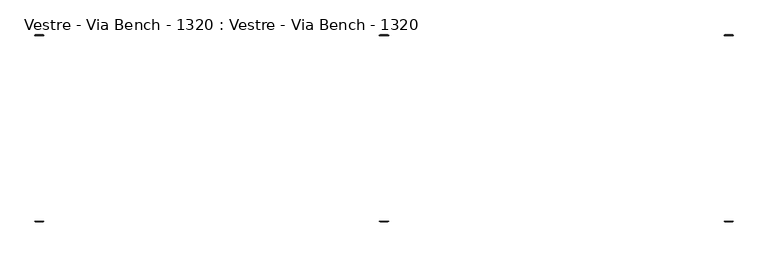
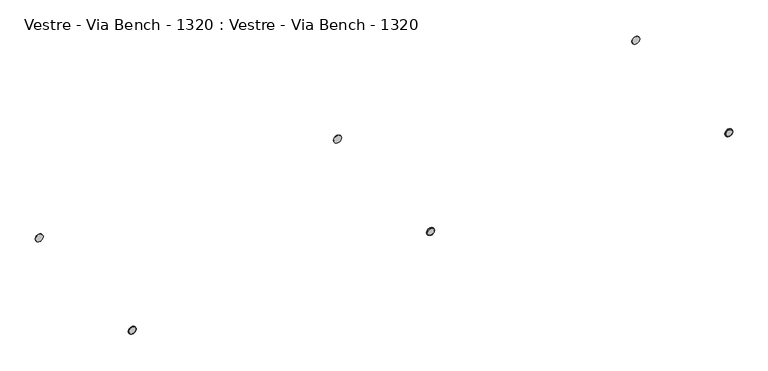
"""IFC4 building model written with IfcOpenShell, lengths in millimetres: furniture geometry, Vestre - Via Bench - 1320 : Vestre - Via Bench - 1320."""

from ifc_helpers import new_model, si_unit, frame, origin, place, context, project, spatial, polyline, circle_curve, source, transform, mapped, element, save
from ifc_brep_helpers import plane_surface, cylinder_surface, revolved_surface, advanced_brep


def vestre_via_bench_1320_vestre_via_bench_1320_ee63596d(model_context):
    return source(origin(), model_context, "Body", "AdvancedBrep", [
        advanced_brep(
        [(-955.8995329, -257.2, 414.0553515), (-934.0131788, -257.2, 414.0553515), (-932.4972559, -254.7292979, 414.0553515), (-957.4154558, -254.7292979, 414.0553515), (-932.4972559, -255.6840771, 414.0553515), (-957.4154558, -255.6840771, 414.0553515)],
        [
            (0, 1, circle_curve(frame((-944.9563558, -257.2, 414.0553515), z_axis=(0.0, -1.0, 0.0), x_axis=(-1.0, 0.0, 0.0)), 10.943177)),
            (1, 0, circle_curve(frame((-944.9563558, -257.2, 414.0553515), z_axis=(0.0, -1.0, 0.0), x_axis=(1.0, 0.0, 0.0)), 10.943177)),
            (2, 3, circle_curve(frame((-944.9563558, -254.7292979, 414.0553515), z_axis=(0.0, 1.0, 0.0), x_axis=(-1.0, 0.0, 0.0)), 12.4590999)),
            (3, 2, circle_curve(frame((-944.9563558, -254.7292979, 414.0553515), z_axis=(0.0, 1.0, 0.0), x_axis=(1.0, 0.0, 0.0)), 12.4590999)),
            (4, 5, circle_curve(frame((-944.9563558, -255.6840771, 414.0553515), z_axis=(0.0, 1.0, 0.0), x_axis=(-1.0, 0.0, 0.0)), 12.4590999)),
            (5, 3),
            (2, 4),
            (4, 1),
            (0, 5),
            (5, 4, circle_curve(frame((-944.9563558, -255.6840771, 414.0553515), z_axis=(0.0, 1.0, 0.0), x_axis=(1.0, 0.0, 0.0)), 12.4590999)),
        ],
        [
            plane_surface(frame((-946.9111476, -257.2, 414.0553515), z_axis=(0.0, -1.0, 0.0), x_axis=(0.0, 0.0, -1.0))),
            plane_surface(frame((-946.9111476, -254.7292979, 414.0553515), z_axis=(0.0, 1.0, 0.0), x_axis=(0.0, 0.0, 1.0))),
            cylinder_surface(frame((-944.9563558, 0.0, 414.0553515), z_axis=(0.0, -1.0, 0.0), x_axis=(-1.0, 0.0, 0.0)), 12.4590999),
            revolved_surface(polyline([(-957.4154558, -255.6840771, 414.0553515), (-955.8995329, -257.2, 414.0553515)]), (-944.9563558, 0.0, 414.0553515), (0.0, -1.0, 0.0)),
            cylinder_surface(frame((-944.9563558, 0.0, 414.0553515), z_axis=(0.0, -1.0, 0.0), x_axis=(1.0, 0.0, 0.0)), 12.4590999),
            revolved_surface(polyline([(-932.4972559, -255.6840771, 414.0553515), (-934.0131788, -257.2, 414.0553515)]), (-944.9563558, 0.0, 414.0553515), (0.0, -1.0, 0.0)),
        ],
        [
            (0, [[1, 2]]),
            (1, [[3, 4]]),
            (2, [[5, 6, -3, 7]]),
            (3, [[-5, 8, -1, 9]]),
            (4, [[-6, 10, -7, -4]]),
            (5, [[-9, -2, -8, -10]]),
        ],
    ),
        advanced_brep(
        [(-12.4590999, -254.7292979, 414.0553515), (12.4590999, -254.7292979, 414.0553515), (12.4590999, -255.6840771, 414.0553515), (-12.4590999, -255.6840771, 414.0553515), (10.943177, -257.2, 414.0553515), (-10.943177, -257.2, 414.0553515)],
        [
            (0, 1, circle_curve(frame((0.0, -254.7292979, 414.0553515), z_axis=(0.0, -1.0, 0.0), x_axis=(1.0, 0.0, 0.0)), 12.4590999)),
            (1, 2),
            (2, 3, circle_curve(frame((0.0, -255.6840771, 414.0553515), z_axis=(0.0, 1.0, 0.0), x_axis=(1.0, 0.0, 0.0)), 12.4590999)),
            (3, 0),
            (2, 4),
            (4, 5, circle_curve(frame((0.0, -257.2, 414.0553515), z_axis=(0.0, 1.0, 0.0), x_axis=(1.0, 0.0, 0.0)), 10.943177)),
            (5, 3),
            (0, 1, circle_curve(frame((0.0, -254.7292979, 414.0553515), z_axis=(0.0, 1.0, 0.0), x_axis=(-1.0, 0.0, 0.0)), 12.4590999)),
            (3, 2, circle_curve(frame((0.0, -255.6840771, 414.0553515), z_axis=(0.0, 1.0, 0.0), x_axis=(-1.0, 0.0, 0.0)), 12.4590999)),
            (5, 4, circle_curve(frame((0.0, -257.2, 414.0553515), z_axis=(0.0, 1.0, 0.0), x_axis=(-1.0, 0.0, 0.0)), 10.943177)),
        ],
        [
            cylinder_surface(frame((0.0, 0.0, 414.0553515), z_axis=(0.0, 1.0, 0.0), x_axis=(1.0, 0.0, 0.0)), 12.4590999),
            revolved_surface(polyline([(10.943177, -257.2, 414.0553515), (12.4590999, -255.6840771, 414.0553515)]), (0.0, 0.0, 414.0553515), (0.0, 1.0, 0.0)),
            plane_surface(frame((0.0, -254.7292979, 414.0553515), z_axis=(0.0, 1.0, 0.0), x_axis=(-1.0, 0.0, 0.0))),
            cylinder_surface(frame((0.0, 0.0, 414.0553515), z_axis=(0.0, 1.0, 0.0), x_axis=(-1.0, 0.0, 0.0)), 12.4590999),
            revolved_surface(polyline([(-10.943177, -257.2, 414.0553515), (-12.4590999, -255.6840771, 414.0553515)]), (0.0, 0.0, 414.0553515), (0.0, 1.0, 0.0)),
            plane_surface(frame((0.0, -257.2, 414.0553515), z_axis=(0.0, -1.0, 0.0), x_axis=(-1.0, 0.0, 0.0))),
        ],
        [
            (0, [[1, 2, 3, 4]]),
            (1, [[-3, 5, 6, 7]]),
            (2, [[-1, 8]]),
            (3, [[-2, -8, -4, 9]]),
            (4, [[-5, -9, -7, 10]]),
            (5, [[-6, -10]]),
        ],
    ),
        advanced_brep(
        [(932.4972559, -254.7292979, 414.0553515), (957.4154558, -254.7292979, 414.0553515), (957.4154558, -255.6840771, 414.0553515), (932.4972559, -255.6840771, 414.0553515), (955.8995329, -257.2, 414.0553515), (934.0131788, -257.2, 414.0553515)],
        [
            (0, 1, circle_curve(frame((944.9563558, -254.7292979, 414.0553515), z_axis=(0.0, -1.0, 0.0), x_axis=(1.0, 0.0, 0.0)), 12.4590999)),
            (1, 2),
            (2, 3, circle_curve(frame((944.9563558, -255.6840771, 414.0553515), z_axis=(0.0, 1.0, 0.0), x_axis=(1.0, 0.0, 0.0)), 12.4590999)),
            (3, 0),
            (2, 4),
            (4, 5, circle_curve(frame((944.9563558, -257.2, 414.0553515), z_axis=(0.0, 1.0, 0.0), x_axis=(1.0, 0.0, 0.0)), 10.943177)),
            (5, 3),
            (0, 1, circle_curve(frame((944.9563558, -254.7292979, 414.0553515), z_axis=(0.0, 1.0, 0.0), x_axis=(-1.0, 0.0, 0.0)), 12.4590999)),
            (3, 2, circle_curve(frame((944.9563558, -255.6840771, 414.0553515), z_axis=(0.0, 1.0, 0.0), x_axis=(-1.0, 0.0, 0.0)), 12.4590999)),
            (5, 4, circle_curve(frame((944.9563558, -257.2, 414.0553515), z_axis=(0.0, 1.0, 0.0), x_axis=(-1.0, 0.0, 0.0)), 10.943177)),
        ],
        [
            cylinder_surface(frame((944.9563558, 0.0, 414.0553515), z_axis=(0.0, 1.0, 0.0), x_axis=(1.0, 0.0, 0.0)), 12.4590999),
            revolved_surface(polyline([(955.8995329, -257.2, 414.0553515), (957.4154558, -255.6840771, 414.0553515)]), (944.9563558, 0.0, 414.0553515), (0.0, 1.0, 0.0)),
            plane_surface(frame((944.9563558, -254.7292979, 414.0553515), z_axis=(0.0, 1.0, 0.0), x_axis=(-1.0, 0.0, 0.0))),
            cylinder_surface(frame((944.9563558, 0.0, 414.0553515), z_axis=(0.0, 1.0, 0.0), x_axis=(-1.0, 0.0, 0.0)), 12.4590999),
            revolved_surface(polyline([(934.0131788, -257.2, 414.0553515), (932.4972559, -255.6840771, 414.0553515)]), (944.9563558, 0.0, 414.0553515), (0.0, 1.0, 0.0)),
            plane_surface(frame((944.9563558, -257.2, 414.0553515), z_axis=(0.0, -1.0, 0.0), x_axis=(-1.0, 0.0, 0.0))),
        ],
        [
            (0, [[1, 2, 3, 4]]),
            (1, [[-3, 5, 6, 7]]),
            (2, [[-1, 8]]),
            (3, [[-2, -8, -4, 9]]),
            (4, [[-5, -9, -7, 10]]),
            (5, [[-6, -10]]),
        ],
    ),
        advanced_brep(
        [(932.4972559, 255.6840771, 414.0553515), (957.4154558, 255.6840771, 414.0553515), (957.4154558, 254.7292979, 414.0553515), (932.4972559, 254.7292979, 414.0553515), (934.0131788, 257.2, 414.0553515), (955.8995329, 257.2, 414.0553515)],
        [
            (0, 1, circle_curve(frame((944.9563558, 255.6840771, 414.0553515), z_axis=(0.0, -1.0, 0.0), x_axis=(1.0, 0.0, 0.0)), 12.4590999)),
            (1, 2),
            (2, 3, circle_curve(frame((944.9563558, 254.7292979, 414.0553515), z_axis=(0.0, 1.0, 0.0), x_axis=(1.0, 0.0, 0.0)), 12.4590999)),
            (3, 0),
            (0, 4),
            (4, 5, circle_curve(frame((944.9563558, 257.2, 414.0553515), z_axis=(0.0, -1.0, 0.0), x_axis=(1.0, 0.0, 0.0)), 10.943177)),
            (5, 1),
            (2, 3, circle_curve(frame((944.9563558, 254.7292979, 414.0553515), z_axis=(0.0, -1.0, 0.0), x_axis=(-1.0, 0.0, 0.0)), 12.4590999)),
            (1, 0, circle_curve(frame((944.9563558, 255.6840771, 414.0553515), z_axis=(0.0, -1.0, 0.0), x_axis=(-1.0, 0.0, 0.0)), 12.4590999)),
            (5, 4, circle_curve(frame((944.9563558, 257.2, 414.0553515), z_axis=(0.0, -1.0, 0.0), x_axis=(-1.0, 0.0, 0.0)), 10.943177)),
        ],
        [
            cylinder_surface(frame((944.9563558, 0.0, 414.0553515), z_axis=(0.0, 1.0, 0.0), x_axis=(1.0, 0.0, 0.0)), 12.4590999),
            revolved_surface(polyline([(957.4154558, 255.6840771, 414.0553515), (955.8995329, 257.2, 414.0553515)]), (944.9563558, 0.0, 414.0553515), (0.0, 1.0, 0.0)),
            plane_surface(frame((944.9563558, 254.7292979, 414.0553515), z_axis=(0.0, -1.0, 0.0), x_axis=(-1.0, 0.0, 0.0))),
            cylinder_surface(frame((944.9563558, 0.0, 414.0553515), z_axis=(0.0, 1.0, 0.0), x_axis=(-1.0, 0.0, 0.0)), 12.4590999),
            revolved_surface(polyline([(932.4972559, 255.6840771, 414.0553515), (934.0131788, 257.2, 414.0553515)]), (944.9563558, 0.0, 414.0553515), (0.0, 1.0, 0.0)),
            plane_surface(frame((944.9563558, 257.2, 414.0553515), z_axis=(0.0, 1.0, 0.0), x_axis=(-1.0, 0.0, 0.0))),
        ],
        [
            (0, [[1, 2, 3, 4]]),
            (1, [[-1, 5, 6, 7]]),
            (2, [[-3, 8]]),
            (3, [[-2, 9, -4, -8]]),
            (4, [[-7, 10, -5, -9]]),
            (5, [[-6, -10]]),
        ],
    ),
        advanced_brep(
        [(-12.4590999, 255.6840771, 414.0553515), (12.4590999, 255.6840771, 414.0553515), (12.4590999, 254.7292979, 414.0553515), (-12.4590999, 254.7292979, 414.0553515), (-10.943177, 257.2, 414.0553515), (10.943177, 257.2, 414.0553515)],
        [
            (0, 1, circle_curve(frame((0.0, 255.6840771, 414.0553515), z_axis=(0.0, -1.0, 0.0), x_axis=(1.0, 0.0, 0.0)), 12.4590999)),
            (1, 2),
            (2, 3, circle_curve(frame((0.0, 254.7292979, 414.0553515), z_axis=(0.0, 1.0, 0.0), x_axis=(1.0, 0.0, 0.0)), 12.4590999)),
            (3, 0),
            (0, 4),
            (4, 5, circle_curve(frame((0.0, 257.2, 414.0553515), z_axis=(0.0, -1.0, 0.0), x_axis=(1.0, 0.0, 0.0)), 10.943177)),
            (5, 1),
            (2, 3, circle_curve(frame((0.0, 254.7292979, 414.0553515), z_axis=(0.0, -1.0, 0.0), x_axis=(-1.0, 0.0, 0.0)), 12.4590999)),
            (1, 0, circle_curve(frame((0.0, 255.6840771, 414.0553515), z_axis=(0.0, -1.0, 0.0), x_axis=(-1.0, 0.0, 0.0)), 12.4590999)),
            (5, 4, circle_curve(frame((0.0, 257.2, 414.0553515), z_axis=(0.0, -1.0, 0.0), x_axis=(-1.0, 0.0, 0.0)), 10.943177)),
        ],
        [
            cylinder_surface(frame((0.0, 0.0, 414.0553515), z_axis=(0.0, 1.0, 0.0), x_axis=(1.0, 0.0, 0.0)), 12.4590999),
            revolved_surface(polyline([(12.4590999, 255.6840771, 414.0553515), (10.943177, 257.2, 414.0553515)]), (0.0, 0.0, 414.0553515), (0.0, 1.0, 0.0)),
            plane_surface(frame((0.0, 254.7292979, 414.0553515), z_axis=(0.0, -1.0, 0.0), x_axis=(-1.0, 0.0, 0.0))),
            cylinder_surface(frame((0.0, 0.0, 414.0553515), z_axis=(0.0, 1.0, 0.0), x_axis=(-1.0, 0.0, 0.0)), 12.4590999),
            revolved_surface(polyline([(-12.4590999, 255.6840771, 414.0553515), (-10.943177, 257.2, 414.0553515)]), (0.0, 0.0, 414.0553515), (0.0, 1.0, 0.0)),
            plane_surface(frame((0.0, 257.2, 414.0553515), z_axis=(0.0, 1.0, 0.0), x_axis=(-1.0, 0.0, 0.0))),
        ],
        [
            (0, [[1, 2, 3, 4]]),
            (1, [[-1, 5, 6, 7]]),
            (2, [[-3, 8]]),
            (3, [[-2, 9, -4, -8]]),
            (4, [[-7, 10, -5, -9]]),
            (5, [[-6, -10]]),
        ],
    ),
        advanced_brep(
        [(-932.4972559, 254.7292979, 414.0553515), (-957.4154558, 254.7292979, 414.0553515), (-957.4154558, 255.6840771, 414.0553515), (-932.4972559, 255.6840771, 414.0553515), (-955.8995329, 257.2, 414.0553515), (-934.0131788, 257.2, 414.0553515)],
        [
            (0, 1, circle_curve(frame((-944.9563558, 254.7292979, 414.0553515), z_axis=(0.0, 1.0, 0.0), x_axis=(-1.0, 0.0, 0.0)), 12.4590999)),
            (1, 2),
            (2, 3, circle_curve(frame((-944.9563558, 255.6840771, 414.0553515), z_axis=(0.0, -1.0, 0.0), x_axis=(-1.0, 0.0, 0.0)), 12.4590999)),
            (3, 0),
            (2, 4),
            (4, 5, circle_curve(frame((-944.9563558, 257.2, 414.0553515), z_axis=(0.0, -1.0, 0.0), x_axis=(-1.0, 0.0, 0.0)), 10.943177)),
            (5, 3),
            (0, 1, circle_curve(frame((-944.9563558, 254.7292979, 414.0553515), z_axis=(0.0, -1.0, 0.0), x_axis=(1.0, 0.0, 0.0)), 12.4590999)),
            (3, 2, circle_curve(frame((-944.9563558, 255.6840771, 414.0553515), z_axis=(0.0, -1.0, 0.0), x_axis=(1.0, 0.0, 0.0)), 12.4590999)),
            (5, 4, circle_curve(frame((-944.9563558, 257.2, 414.0553515), z_axis=(0.0, -1.0, 0.0), x_axis=(1.0, 0.0, 0.0)), 10.943177)),
        ],
        [
            cylinder_surface(frame((-944.9563558, 0.0, 414.0553515), z_axis=(0.0, -1.0, 0.0), x_axis=(-1.0, 0.0, 0.0)), 12.4590999),
            revolved_surface(polyline([(-955.8995329, 257.2, 414.0553515), (-957.4154558, 255.6840771, 414.0553515)]), (-944.9563558, 0.0, 414.0553515), (0.0, -1.0, 0.0)),
            plane_surface(frame((-944.9563558, 254.7292979, 414.0553515), z_axis=(0.0, -1.0, 0.0), x_axis=(1.0, 0.0, 0.0))),
            cylinder_surface(frame((-944.9563558, 0.0, 414.0553515), z_axis=(0.0, -1.0, 0.0), x_axis=(1.0, 0.0, 0.0)), 12.4590999),
            revolved_surface(polyline([(-934.0131788, 257.2, 414.0553515), (-932.4972559, 255.6840771, 414.0553515)]), (-944.9563558, 0.0, 414.0553515), (0.0, -1.0, 0.0)),
            plane_surface(frame((-944.9563558, 257.2, 414.0553515), z_axis=(0.0, 1.0, 0.0), x_axis=(1.0, 0.0, 0.0))),
        ],
        [
            (0, [[1, 2, 3, 4]]),
            (1, [[-3, 5, 6, 7]]),
            (2, [[-1, 8]]),
            (3, [[-2, -8, -4, 9]]),
            (4, [[-5, -9, -7, 10]]),
            (5, [[-6, -10]]),
        ],
    ),
    ])


if __name__ == "__main__":
    model = new_model("IFC4")
    model_context = context("Model", 3, world=origin())
    ifc_project = project(units=[si_unit("LENGTHUNIT", "METRE", prefix="MILLI")], contexts=[model_context])
    site = spatial("IfcSite", under=ifc_project)
    building = spatial("IfcBuilding", under=site)
    placement = place(None, origin())
    vestre_via_bench_1320_vestre_via_bench_1320_shape = vestre_via_bench_1320_vestre_via_bench_1320_ee63596d(model_context)
    element("IfcFurniture", 1, ObjectType="Vestre - Via Bench - 1320 : Vestre - Via Bench - 1320", at=placement, inside=building, context=model_context, shape_type="MappedRepresentation", body=[
        mapped(vestre_via_bench_1320_vestre_via_bench_1320_shape, transform((0.0, 0.0, 0.0), x_axis=(1.0, 0.0, 0.0), y_axis=(0.0, 1.0, 0.0), z_axis=(0.0, 0.0, 1.0))),
    ])
    save(model, "model.ifc")
